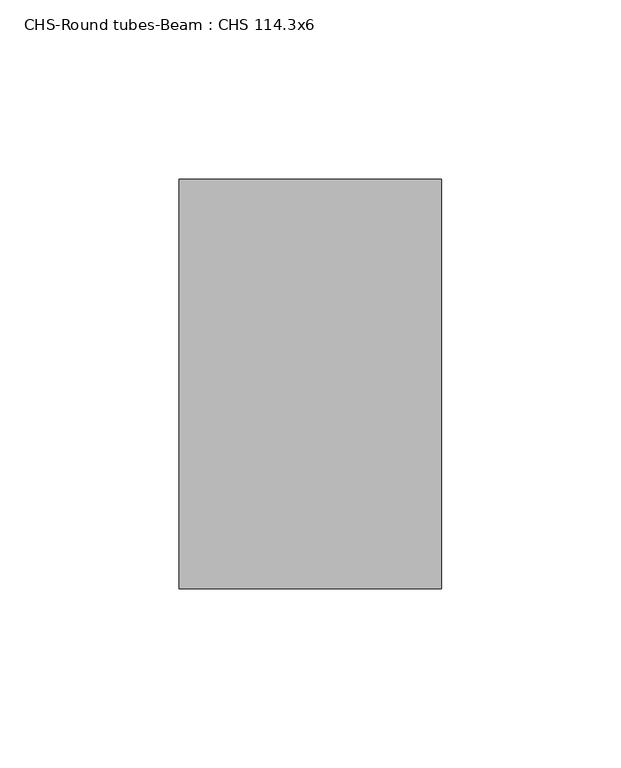
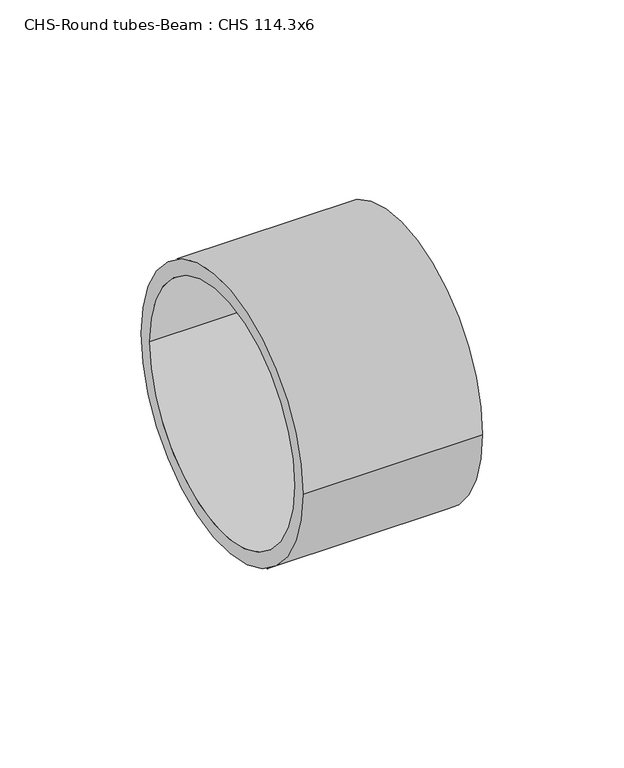
"""IFC4 building model written with IfcOpenShell, lengths in millimetres: beam geometry, CHS-Round tubes-Beam : CHS 114.3x6."""

from ifc_helpers import new_model, si_unit, point, frame, origin, origin_2d, place, context, project, spatial, circle_curve, trimmed, segment, composite_curve, outline, extrude, source, transform, mapped, element, save


def chs_round_tubes_beam_chs_114_3x6_a6be66b1(model_context):
    return source(origin(), model_context, "Body", "SweptSolid", [
        extrude(outline(composite_curve([segment(trimmed(circle_curve(origin_2d(), 57.15), [point((-57.15, 0.0))], [point((57.15, 0.0))], False, "CARTESIAN"), True, "CONTINUOUS"), segment(trimmed(circle_curve(origin_2d(), 57.15), [point((57.15, 0.0))], [point((-57.15, 0.0))], False, "CARTESIAN"), True, "CONTINUOUS")], self_intersect=False), holes=[composite_curve([segment(trimmed(circle_curve(origin_2d(), 51.15), [point((-51.15, 0.0))], [point((51.15, 0.0))], True, "CARTESIAN"), True, "CONTINUOUS"), segment(trimmed(circle_curve(origin_2d(), 51.15), [point((51.15, 0.0))], [point((-51.15, 0.0))], True, "CARTESIAN"), True, "CONTINUOUS")], self_intersect=False)]), frame((118.2381064, 0.0, 0.0), z_axis=(1.0, 0.0, 0.0), x_axis=(0.0, 1.0, 0.0)), (0.0, 0.0, 1.0), 73.3113724),
    ])


if __name__ == "__main__":
    model = new_model("IFC4")
    model_context = context("Model", 3, world=origin())
    ifc_project = project(units=[si_unit("LENGTHUNIT", "METRE", prefix="MILLI")], contexts=[model_context])
    site = spatial("IfcSite", under=ifc_project)
    building = spatial("IfcBuilding", under=site)
    placement = place(None, origin())
    chs_round_tubes_beam_chs_114_3x6_shape = chs_round_tubes_beam_chs_114_3x6_a6be66b1(model_context)
    element("IfcBeam", 1, ObjectType="CHS-Round tubes-Beam : CHS 114.3x6", at=placement, inside=building, context=model_context, shape_type="MappedRepresentation", body=[
        mapped(chs_round_tubes_beam_chs_114_3x6_shape, transform((0.0, 0.0, 0.0), x_axis=(1.0, 0.0, 0.0), y_axis=(0.0, 1.0, 0.0), z_axis=(0.0, 0.0, 1.0))),
    ])
    save(model, "model.ifc")
